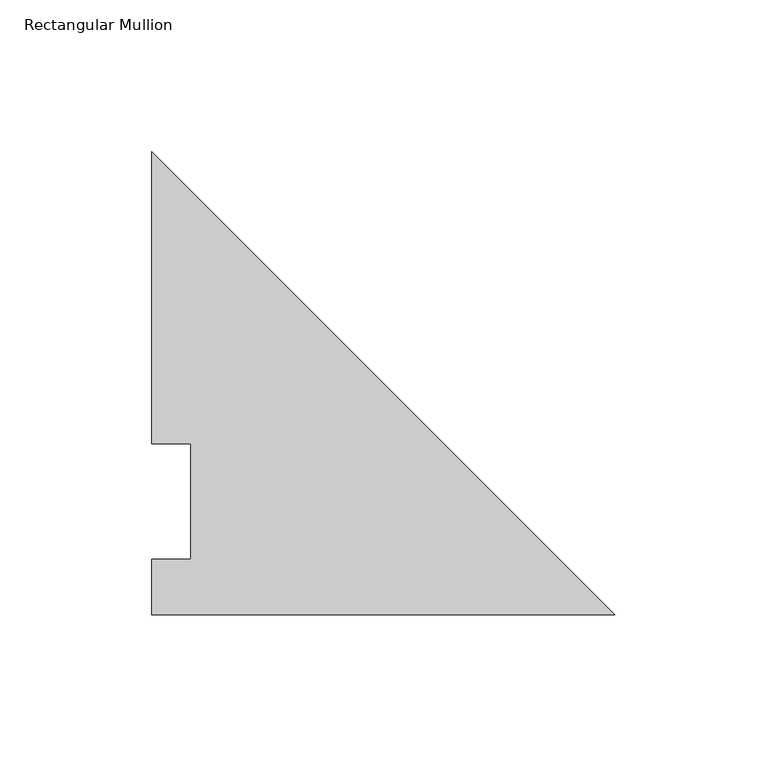
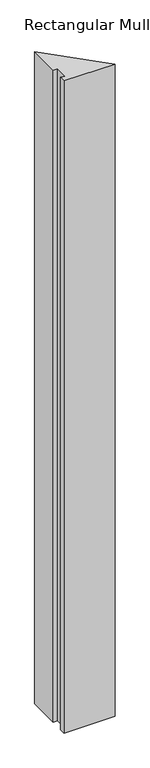
"""IFC4 building model written with IfcOpenShell, lengths in millimetres: member geometry, Rectangular Mullion."""

from ifc_helpers import new_model, si_unit, frame, origin, place, context, project, spatial, polyline, outline, extrude, source, transform, mapped, element, save


def rectangular_mullion_e5feb209(model_context):
    return source(origin(), model_context, "Body", "SweptSolid", [
        extrude(outline(polyline([(-152.4000001, 152.36825), (0.0, -0.0317501), (-152.4000001, -0.0317501), (-152.4000001, 18.25625), (-139.7000001, 18.25625), (-139.7000001, 56.35625), (-152.4000001, 56.35625), (-152.4000001, 152.36825)])), frame((0.0, 0.0, -2063.75), z_axis=(0.0, 0.0, 1.0), x_axis=(1.0, 0.0, 0.0)), (0.0, 0.0, 1.0), 2063.75),
    ])


if __name__ == "__main__":
    model = new_model("IFC4")
    model_context = context("Model", 3, world=origin())
    ifc_project = project(units=[si_unit("LENGTHUNIT", "METRE", prefix="MILLI")], contexts=[model_context])
    site = spatial("IfcSite", under=ifc_project)
    building = spatial("IfcBuilding", under=site)
    placement = place(None, origin())
    rectangular_mullion_shape = rectangular_mullion_e5feb209(model_context)
    element("IfcMember", 1, ObjectType="Rectangular Mullion", at=placement, inside=building, context=model_context, shape_type="MappedRepresentation", body=[
        mapped(rectangular_mullion_shape, transform((0.0, 0.0, 0.0), x_axis=(1.0, 0.0, 0.0), y_axis=(0.0, 1.0, 0.0), z_axis=(0.0, 0.0, 1.0))),
    ])
    save(model, "model.ifc")
